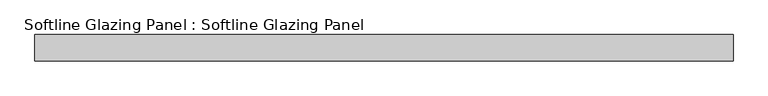
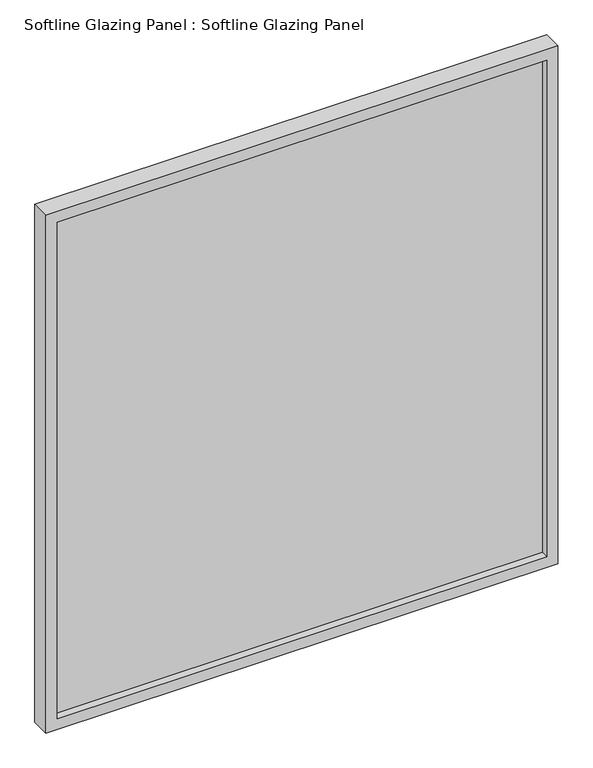
"""IFC4 building model written with IfcOpenShell, lengths in millimetres: plate geometry, Softline Glazing Panel : Softline Glazing Panel."""

from ifc_helpers import new_model, si_unit, frame, origin, place, context, project, spatial, polyline, outline, extrude, faceted_brep, source, transform, mapped, element, save


def softline_glazing_panel_softline_glazing_panel_625f931e(model_context):
    return source(origin(), model_context, "Body", "SolidModel", [
        extrude(outline(polyline([(584.0, -4.0), (-584.0, -4.0), (-584.0, 4.0), (584.0, 4.0), (584.0, -4.0)])), frame((0.0, 0.0, 16.0), z_axis=(0.0, 0.0, 1.0), x_axis=(1.0, 0.0, 0.0)), (0.0, 0.0, 1.0), 1251.0),
        faceted_brep([(574.0, -4.0, 26.0), (-574.0, -4.0, 26.0), (-574.0, -22.5, 26.0), (574.0, -22.5, 26.0), (584.0, 4.0, 16.0), (-584.0, 4.0, 16.0), (-584.0, -4.0, 16.0), (584.0, -4.0, 16.0), (574.0, 22.5, 26.0), (-574.0, 22.5, 26.0), (-574.0, 4.0, 26.0), (574.0, 4.0, 26.0), (600.0, -22.5, 0.0), (-600.0, -22.5, 0.0), (-600.0, 22.5, 0.0), (600.0, 22.5, 0.0), (-574.0, -4.0, 1257.0), (-574.0, -22.5, 1257.0), (-584.0, 4.0, 1267.0), (-584.0, -4.0, 1267.0), (-574.0, 22.5, 1257.0), (-574.0, 4.0, 1257.0), (-600.0, -22.5, 1283.0), (-600.0, 22.5, 1283.0), (574.0, -4.0, 1257.0), (574.0, -22.5, 1257.0), (584.0, 4.0, 1267.0), (584.0, -4.0, 1267.0), (574.0, 22.5, 1257.0), (574.0, 4.0, 1257.0), (600.0, -22.5, 1283.0), (600.0, 22.5, 1283.0)], [[[0, 1, 2, 3]], [[4, 5, 6, 7]], [[8, 9, 10, 11]], [[12, 13, 14, 15]], [[1, 16, 17, 2]], [[5, 18, 19, 6]], [[9, 20, 21, 10]], [[13, 22, 23, 14]], [[16, 24, 25, 17]], [[18, 26, 27, 19]], [[20, 28, 29, 21]], [[22, 30, 31, 23]], [[13, 12, 30, 22], [3, 2, 17, 25]], [[24, 0, 3, 25]], [[7, 6, 19, 27], [1, 0, 24, 16]], [[26, 4, 7, 27]], [[5, 4, 26, 18], [11, 10, 21, 29]], [[28, 8, 11, 29]], [[15, 14, 23, 31], [9, 8, 28, 20]], [[30, 12, 15, 31]]]),
    ])


if __name__ == "__main__":
    model = new_model("IFC4")
    model_context = context("Model", 3, world=origin())
    ifc_project = project(units=[si_unit("LENGTHUNIT", "METRE", prefix="MILLI")], contexts=[model_context])
    site = spatial("IfcSite", under=ifc_project)
    building = spatial("IfcBuilding", under=site)
    placement = place(None, origin())
    softline_glazing_panel_softline_glazing_panel_shape = softline_glazing_panel_softline_glazing_panel_625f931e(model_context)
    element("IfcPlate", 1, ObjectType="Softline Glazing Panel : Softline Glazing Panel", at=placement, inside=building, context=model_context, shape_type="MappedRepresentation", body=[
        mapped(softline_glazing_panel_softline_glazing_panel_shape, transform((0.0, 0.0, 0.0), x_axis=(1.0, 0.0, 0.0), y_axis=(0.0, 1.0, 0.0), z_axis=(0.0, 0.0, 1.0))),
    ])
    save(model, "model.ifc")
